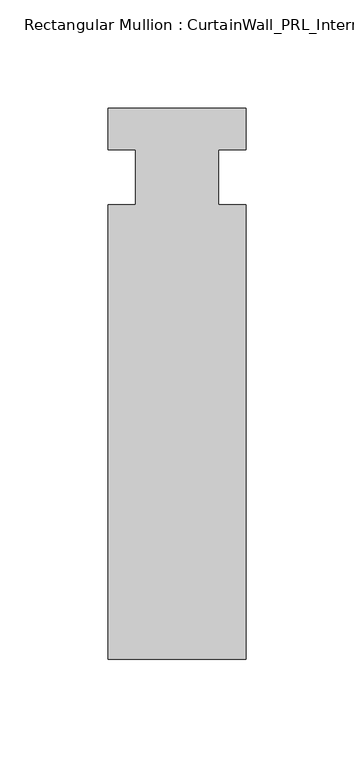
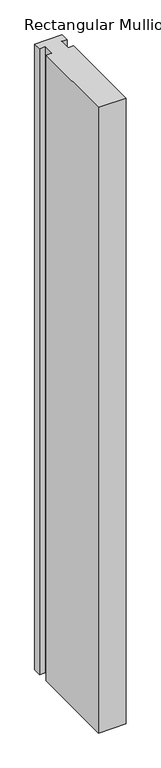
"""IFC4 building model written with IfcOpenShell, lengths in millimetres: member geometry, Rectangular Mullion : CurtainWall_PRL_Intermediate_1001."""

from ifc_helpers import new_model, si_unit, frame, origin, place, context, project, spatial, polyline, outline, extrude, source, transform, mapped, element, save


def rectangular_mullion_curtainwall_prl_intermediate_1001_2f7b9386(model_context):
    return source(origin(), model_context, "Body", "SweptSolid", [
        extrude(outline(polyline([(-19.05, -12.7), (-19.05, 12.7), (-31.75, 12.7), (-31.75, 31.75), (31.75, 31.75), (31.75, 12.7), (19.05, 12.7), (19.05, -12.7), (31.75, -12.7), (31.75, -222.25), (-31.75, -222.25), (-31.75, -12.7), (-19.05, -12.7)])), frame((0.0, 0.0, -1524.0), z_axis=(0.0, 0.0, 1.0), x_axis=(1.0, 0.0, 0.0)), (0.0, 0.0, 1.0), 1524.0),
    ])


if __name__ == "__main__":
    model = new_model("IFC4")
    model_context = context("Model", 3, world=origin())
    ifc_project = project(units=[si_unit("LENGTHUNIT", "METRE", prefix="MILLI")], contexts=[model_context])
    site = spatial("IfcSite", under=ifc_project)
    building = spatial("IfcBuilding", under=site)
    placement = place(None, origin())
    rectangular_mullion_curtainwall_prl_intermediate_1001_shape = rectangular_mullion_curtainwall_prl_intermediate_1001_2f7b9386(model_context)
    element("IfcMember", 1, ObjectType="Rectangular Mullion : CurtainWall_PRL_Intermediate_1001", at=placement, inside=building, context=model_context, shape_type="MappedRepresentation", body=[
        mapped(rectangular_mullion_curtainwall_prl_intermediate_1001_shape, transform((0.0, 0.0, 0.0), x_axis=(1.0, 0.0, 0.0), y_axis=(0.0, 1.0, 0.0), z_axis=(0.0, 0.0, 1.0))),
    ])
    save(model, "model.ifc")
